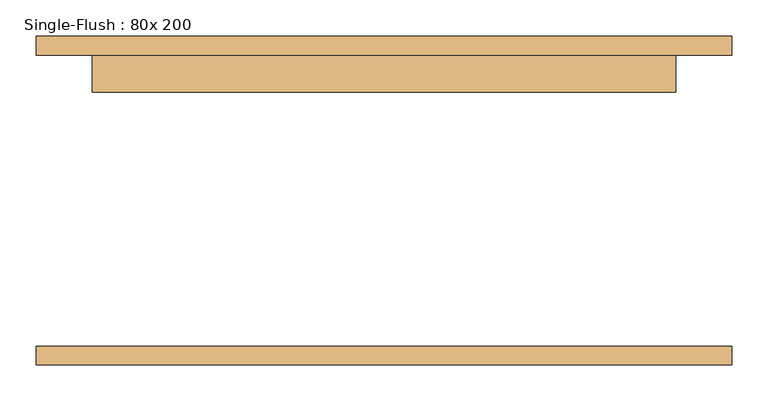
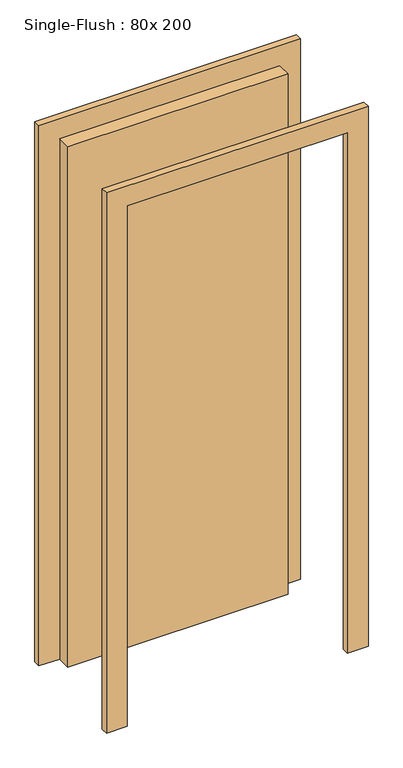
"""IFC4 building model written with IfcOpenShell, lengths in millimetres: door geometry, Single-Flush : 80x 200."""

from ifc_helpers import new_model, si_unit, frame, origin, origin_with_axes, place, context, project, spatial, polyline, outline, extrude, source, transform, mapped, element, save


def single_flush_80x_200_692fd464(model_context):
    return source(origin(), model_context, "Body", "SweptSolid", [
        extrude(outline(polyline([(2076.2, -476.2), (0.0, -476.2), (0.0, -400.0), (2000.0, -400.0), (2000.0, 400.0), (0.0, 400.0), (0.0, 476.2), (2076.2, 476.2), (2076.2, -476.2)])), frame((0.0, 200.0, 0.0), z_axis=(0.0, 1.0, 0.0), x_axis=(0.0, 0.0, 1.0)), (0.0, 0.0, 1.0), 25.4),
        extrude(outline(polyline([(2076.2, 476.2), (2076.2, -476.2), (0.0, -476.2), (0.0, -400.0), (2000.0, -400.0), (2000.0, 400.0), (0.0, 400.0), (0.0, 476.2), (2076.2, 476.2)])), frame((0.0, -225.4, 0.0), z_axis=(0.0, 1.0, 0.0), x_axis=(0.0, 0.0, 1.0)), (0.0, 0.0, 1.0), 25.4),
        extrude(outline(polyline([(400.0, 149.2), (-400.0, 149.2), (-400.0, 200.0), (400.0, 200.0), (400.0, 149.2)])), origin_with_axes(), (0.0, 0.0, 1.0), 2000.0),
    ])


if __name__ == "__main__":
    model = new_model("IFC4")
    model_context = context("Model", 3, world=origin())
    ifc_project = project(units=[si_unit("LENGTHUNIT", "METRE", prefix="MILLI")], contexts=[model_context])
    site = spatial("IfcSite", under=ifc_project)
    building = spatial("IfcBuilding", under=site)
    placement = place(None, origin())
    single_flush_80x_200_shape = single_flush_80x_200_692fd464(model_context)
    element("IfcDoor", 1, ObjectType="Single-Flush : 80x 200", at=placement, inside=building, context=model_context, shape_type="MappedRepresentation", body=[
        mapped(single_flush_80x_200_shape, transform((0.0, 0.0, 0.0), x_axis=(1.0, 0.0, 0.0), y_axis=(0.0, 1.0, 0.0), z_axis=(0.0, 0.0, 1.0))),
    ])
    save(model, "model.ifc")
